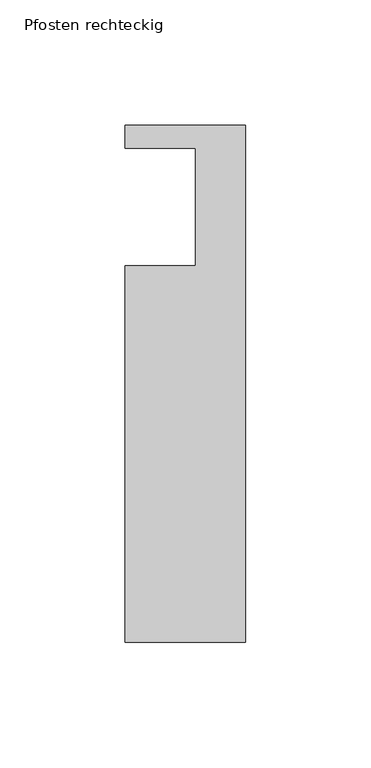
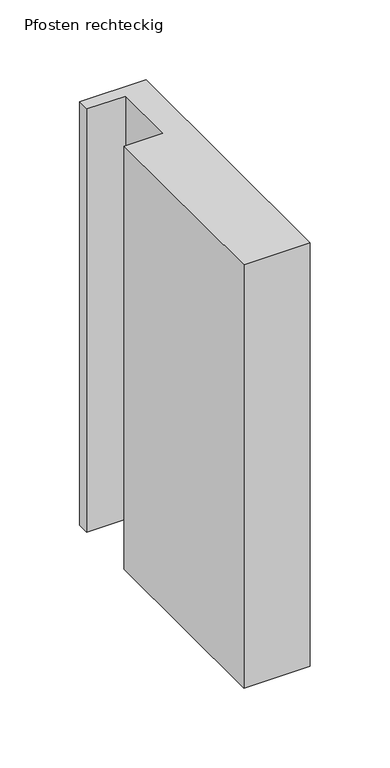
"""IFC4 building model written with IfcOpenShell, lengths in millimetres: member geometry, Pfosten rechteckig."""

import ifcopenshell
import ifcopenshell.guid

model = None  # the IFC model being written
_history = None  # IfcOwnerHistory: only IFC2X3 demands one
_inside = {}  # id of a spatial element -> (the spatial element, [elements in it])
_under = {}  # id of a project, library or spatial element -> (it, [spatial elements below it])
_declared = {}  # id of a project -> (the project, [libraries it declares])
_typed = {}  # id of a type object -> (the type object, [elements of that type])
_made_of = {}  # id of a material, layer set ... -> (it, [elements and type objects made of it])


def new_model(schema):
    """Start an empty IFC model of exactly this schema.

    Asked for "IFC4X3", IfcOpenShell would pick the latest addendum, in which some entities
    have other attributes; the version numbers below select the first issue.
    IFC2X3 requires an IfcOwnerHistory on every rooted entity: one is made here for all.
    """
    global model, _history
    if schema == "IFC4X3":
        model = ifcopenshell.file(schema_version=(4, 3, 0, 0))
    else:
        model = ifcopenshell.file(schema=schema)
    _inside.clear()
    _under.clear()
    _declared.clear()
    _typed.clear()
    _made_of.clear()
    _history = None
    if model.schema == "IFC2X3":
        org = make("IfcOrganization", Name="unknown")
        user = make(
            "IfcPersonAndOrganization",
            ThePerson=make("IfcPerson", FamilyName="unknown"),
            TheOrganization=org,
        )
        app = make(
            "IfcApplication",
            ApplicationDeveloper=org,
            Version="unknown",
            ApplicationFullName="unknown",
            ApplicationIdentifier="unknown",
        )
        _history = make(
            "IfcOwnerHistory",
            OwningUser=user,
            OwningApplication=app,
            ChangeAction="ADDED",
            CreationDate=0,
        )
    return model


def make(cls, **values):
    """One entity of the class cls with the attributes given. An attribute that is None is left unset."""
    return model.create_entity(
        cls, **{name: value for name, value in values.items() if value is not None}
    )


def rooted(cls, **values):
    """An entity with a GlobalId (a new one), such as an element, a storey or a relation."""
    return make(cls, GlobalId=ifcopenshell.guid.new(), OwnerHistory=_history, **values)


def si_unit(unit_type, name, prefix=None):
    """IfcSIUnit, for example si_unit("LENGTHUNIT", "METRE", prefix="MILLI")."""
    return make("IfcSIUnit", UnitType=unit_type, Prefix=prefix, Name=name)


def assignment(units):
    """IfcUnitAssignment: the units of a project."""
    return None if units is None else make("IfcUnitAssignment", Units=units)


def point(xyz):
    """IfcCartesianPoint."""
    return None if xyz is None else make("IfcCartesianPoint", Coordinates=xyz)


def direction(xyz):
    """IfcDirection."""
    return None if xyz is None else make("IfcDirection", DirectionRatios=xyz)


def frame(location, z_axis=None, x_axis=None):
    """IfcAxis2Placement3D, a coordinate frame: its origin and axes. An axis left out is left unset."""
    return make(
        "IfcAxis2Placement3D",
        Location=point(location),
        Axis=direction(z_axis),
        RefDirection=direction(x_axis),
    )


def origin():
    """The frame at (0, 0, 0) with its axes left unset."""
    return frame((0.0, 0.0, 0.0))


def place(relative_to, where):
    """IfcLocalPlacement: puts the frame where relative to a parent placement (None: the world)."""
    return make(
        "IfcLocalPlacement", PlacementRelTo=relative_to, RelativePlacement=where
    )


def context(
    kind, dimensions, precision=None, world=None, true_north=None, identifier=None
):
    """IfcGeometricRepresentationContext, for example the 3D "Model" context."""
    return make(
        "IfcGeometricRepresentationContext",
        ContextIdentifier=identifier,
        ContextType=kind,
        CoordinateSpaceDimension=dimensions,
        Precision=precision,
        WorldCoordinateSystem=world,
        TrueNorth=true_north,
    )


def project(units=None, contexts=None):
    """IfcProject with its units and contexts."""
    return rooted(
        "IfcProject",
        Name="project",
        RepresentationContexts=contexts,
        UnitsInContext=assignment(units),
    )


def spatial(cls, under=None, at=None, **own):
    """A site, building, storey or space (cls), placed at a placement, below another one or the project."""
    s = rooted(cls, ObjectPlacement=at, **own)
    if under is not None:
        _under.setdefault(under.id(), (under, []))[1].append(s)
    return s


def polyline(points):
    """IfcPolyline through the points."""
    return make("IfcPolyline", Points=[point(p) for p in points])


def outline(outer, holes=None, kind="AREA"):
    """IfcArbitraryClosedProfileDef: a profile drawn as a closed curve; with holes, ...WithVoids."""
    if holes is None:
        return make("IfcArbitraryClosedProfileDef", ProfileType=kind, OuterCurve=outer)
    return make(
        "IfcArbitraryProfileDefWithVoids",
        ProfileType=kind,
        OuterCurve=outer,
        InnerCurves=holes,
    )


def extrude(swept, where, along, depth):
    """IfcExtrudedAreaSolid: the profile swept, set in the frame where, extruded along a direction by depth."""
    return make(
        "IfcExtrudedAreaSolid",
        SweptArea=swept,
        Position=where,
        ExtrudedDirection=direction(along),
        Depth=depth,
    )


def shape(context_of_items, identifier, shape_type, items):
    """IfcShapeRepresentation: the items that make up one representation, for example the "Body"."""
    return make(
        "IfcShapeRepresentation",
        ContextOfItems=context_of_items,
        RepresentationIdentifier=identifier,
        RepresentationType=shape_type,
        Items=items,
    )


def source(mapping_origin, context_of_items, identifier, shape_type, items):
    """IfcRepresentationMap: a shape defined once, which mapped items show again and again."""
    return make(
        "IfcRepresentationMap",
        MappingOrigin=mapping_origin,
        MappedRepresentation=shape(context_of_items, identifier, shape_type, items),
    )


def transform(
    local_origin,
    x_axis=None,
    y_axis=None,
    z_axis=None,
    scale=None,
    scale2=None,
    scale3=None,
    uniform=True,
):
    """IfcCartesianTransformationOperator3D, or its non-uniform kind. x_axis, y_axis, z_axis: its Axis1, 2, 3."""
    if uniform:
        return make(
            "IfcCartesianTransformationOperator3D",
            Axis1=direction(x_axis),
            Axis2=direction(y_axis),
            LocalOrigin=point(local_origin),
            Scale=scale,
            Axis3=direction(z_axis),
        )
    return make(
        "IfcCartesianTransformationOperator3DnonUniform",
        Axis1=direction(x_axis),
        Axis2=direction(y_axis),
        LocalOrigin=point(local_origin),
        Scale=scale,
        Axis3=direction(z_axis),
        Scale2=scale2,
        Scale3=scale3,
    )


def mapped(mapping_source, mapping_target):
    """IfcMappedItem: shows the shape of a source again, moved by a transform."""
    return make(
        "IfcMappedItem", MappingSource=mapping_source, MappingTarget=mapping_target
    )


def made_of(thing, what):
    """Note that an element or type object is made of a material, layer set ...; save() writes the relation."""
    if what is not None:
        _made_of.setdefault(what.id(), (what, []))[1].append(thing)
    return thing


def element(
    cls,
    number,
    at=None,
    inside=None,
    cuts=None,
    type_object=None,
    material=None,
    context=None,
    identifier="Body",
    shape_type=None,
    held_by="IfcProductDefinitionShape",
    body=None,
    shapes=None,
    **own,
):
    """One element of the class cls, such as IfcWall. Its Tag is "e" and its number.

    at: its placement. inside: the storey or other place that contains it. cuts: it is an
    opening in that element (IfcRelVoidsElement). A single representation is given by context,
    identifier, shape_type and body (its items); several are given by shapes. held_by: the class
    of the entity that holds the representations. save() writes the other relations.
    """
    e = rooted(cls, Tag="e%d" % number, ObjectPlacement=at, **own)
    if body is not None:
        shapes = [shape(context, identifier, shape_type, body)]
    if shapes is not None:
        e.Representation = make(held_by, Representations=shapes)
    if inside is not None:
        _inside.setdefault(inside.id(), (inside, []))[1].append(e)
    if cuts is not None:
        rooted(
            "IfcRelVoidsElement", RelatingBuildingElement=cuts, RelatedOpeningElement=e
        )
    if type_object is not None:
        _typed.setdefault(type_object.id(), (type_object, []))[1].append(e)
    return made_of(e, material)


def aggregate(whole, parts):
    """IfcRelAggregates: a whole, such as a stair, and the parts it consists of."""
    return rooted("IfcRelAggregates", RelatingObject=whole, RelatedObjects=parts)


def save(model, path):
    """Write the relations noted so far, then the file.

    IfcRelAggregates (storeys below a building ...), IfcRelContainedInSpatialStructure (elements
    in a storey), IfcRelDefinesByType, IfcRelAssociatesMaterial and IfcRelDeclares: one each for
    every whole, place, type object, material and project.
    """
    for whole, parts in _under.values():
        aggregate(whole, parts)
    for where, things in _inside.values():
        rooted(
            "IfcRelContainedInSpatialStructure",
            RelatedElements=things,
            RelatingStructure=where,
        )
    for kind, things in _typed.values():
        rooted("IfcRelDefinesByType", RelatedObjects=things, RelatingType=kind)
    for what, things in _made_of.values():
        rooted("IfcRelAssociatesMaterial", RelatedObjects=things, RelatingMaterial=what)
    for by, libraries in _declared.values():
        rooted("IfcRelDeclares", RelatingContext=by, RelatedDefinitions=libraries)
    model.write(path)


def pfosten_rechteckig_a7eedbc6(model_context):
    return source(origin(), model_context, "Body", "SweptSolid", [
        extrude(outline(polyline([(0.0, -10.0), (0.0, -216.0), (-48.0, -216.0), (-48.0, -66.0), (-20.0, -66.0), (-20.0, -19.0), (-48.0, -19.0), (-48.0, -10.0), (0.0, -10.0)])), frame((0.0, 0.0, -324.0), z_axis=(0.0, 0.0, 1.0), x_axis=(1.0, 0.0, 0.0)), (0.0, 0.0, 1.0), 324.0),
    ])


if __name__ == "__main__":
    model = new_model("IFC4")
    model_context = context("Model", 3, world=origin())
    ifc_project = project(units=[si_unit("LENGTHUNIT", "METRE", prefix="MILLI")], contexts=[model_context])
    site = spatial("IfcSite", under=ifc_project)
    building = spatial("IfcBuilding", under=site)
    placement = place(None, origin())
    pfosten_rechteckig_shape = pfosten_rechteckig_a7eedbc6(model_context)
    element("IfcMember", 1, ObjectType="Pfosten rechteckig", at=placement, inside=building, context=model_context, shape_type="MappedRepresentation", body=[
        mapped(pfosten_rechteckig_shape, transform((0.0, 0.0, 0.0), x_axis=(1.0, 0.0, 0.0), y_axis=(0.0, 1.0, 0.0), z_axis=(0.0, 0.0, 1.0))),
    ])
    save(model, "model.ifc")
